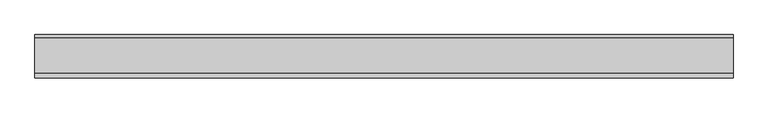
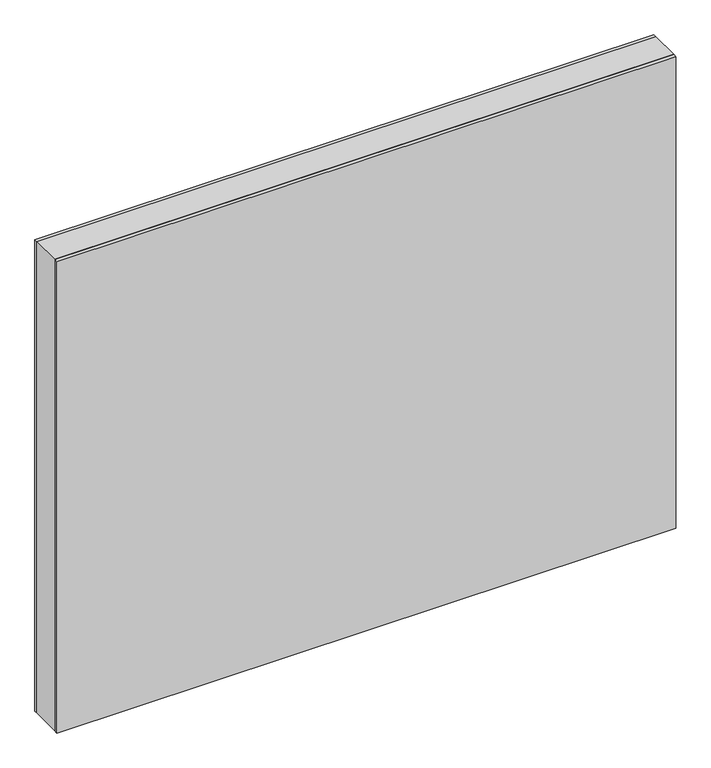
"""IFC4 building model written with IfcOpenShell, lengths in millimetres: plate geometry."""

from ifc_helpers import new_model, si_unit, frame, origin, origin_with_axes, place, context, project, spatial, polyline, outline, extrude, source, transform, mapped, element, save


def plate_bf3a414a(model_context):
    return source(origin(), model_context, "Body", "SweptSolid", [
        extrude(outline(polyline([(969.5, -602.1875001), (0.0, -602.1875001), (0.0, 602.1875001), (969.5, 602.1875001), (969.5, -602.1875001)]), holes=[polyline([(968.5, -601.1875001), (968.5, 601.1875001), (1.0, 601.1875001), (1.0, -601.1875001), (968.5, -601.1875001)])]), frame((0.0, -29.2, 0.0), z_axis=(0.0, 1.0, 0.0), x_axis=(0.0, 0.0, 1.0)), (0.0, 0.0, 1.0), 60.4),
        extrude(outline(polyline([(602.1875001, 31.2), (-602.1875001, 31.2), (-602.1875001, 37.2), (602.1875001, 37.2), (602.1875001, 31.2)])), origin_with_axes(), (0.0, 0.0, 1.0), 969.5),
        extrude(outline(polyline([(-602.1875001, -37.2), (-602.1875001, -29.2), (602.1875001, -29.2), (602.1875001, -37.2), (-602.1875001, -37.2)])), origin_with_axes(), (0.0, 0.0, 1.0), 969.5),
    ])


if __name__ == "__main__":
    model = new_model("IFC4")
    model_context = context("Model", 3, world=origin())
    ifc_project = project(units=[si_unit("LENGTHUNIT", "METRE", prefix="MILLI")], contexts=[model_context])
    site = spatial("IfcSite", under=ifc_project)
    building = spatial("IfcBuilding", under=site)
    placement = place(None, origin())
    plate_shape = plate_bf3a414a(model_context)
    element("IfcPlate", 1, at=placement, inside=building, context=model_context, shape_type="MappedRepresentation", body=[
        mapped(plate_shape, transform((0.0, 0.0, 0.0), x_axis=(1.0, 0.0, 0.0), y_axis=(0.0, 1.0, 0.0), z_axis=(0.0, 0.0, 1.0))),
    ])
    save(model, "model.ifc")
